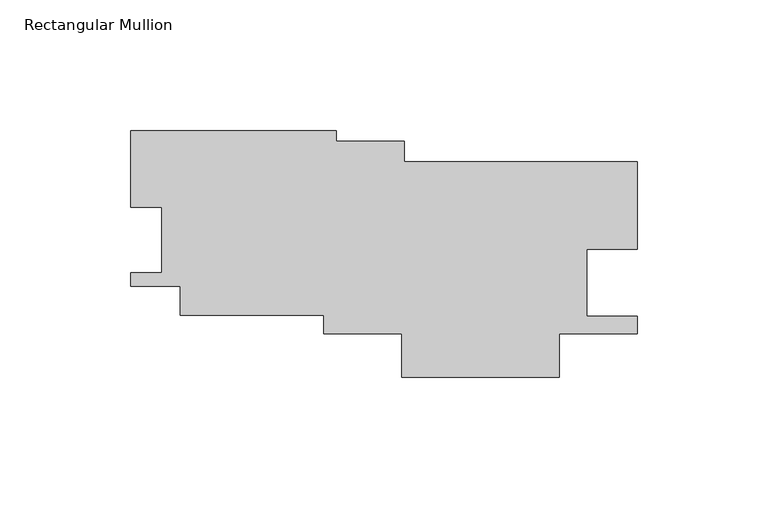
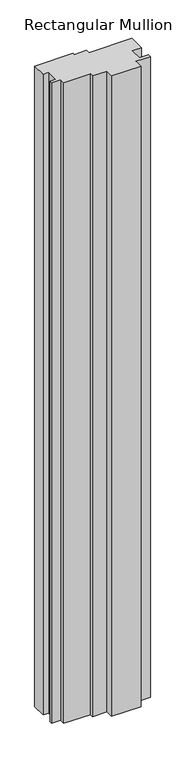
"""IFC4 building model written with IfcOpenShell, lengths in millimetres: member geometry, Rectangular Mullion."""

from ifc_helpers import new_model, si_unit, frame, origin, place, context, project, spatial, polyline, outline, extrude, source, transform, mapped, element, save


def rectangular_mullion_f76a84cf(model_context):
    return source(origin(), model_context, "Body", "SweptSolid", [
        extrude(outline(polyline([(-17.5977369, 49.232729), (-17.5977369, 45.2135184), (8.2804124, 45.2135184), (8.2804124, 37.2066156), (97.6053377, 37.2066156), (97.6053377, 3.6757467), (78.3497325, 3.6757467), (78.3497325, -21.8722468), (97.7243548, -21.8722468), (97.7243548, -28.7128811), (67.7899276, -28.7128811), (67.7899276, -45.3491141), (7.4574723, -45.3491141), (7.4574723, -28.7128811), (-22.4769549, -28.7128811), (-22.4769549, -21.4662325), (-77.4539718, -21.4662325), (-77.4539718, -10.4418565), (-96.5053128, -10.4418565), (-96.5053128, -5.23449), (-84.6210085, -5.23449), (-84.6210085, 19.9196573), (-96.4948416, 19.9196573), (-96.4948416, 49.232729), (-17.5977369, 49.232729)])), frame((0.0, 0.0, -1397.0), z_axis=(0.0, 0.0, 1.0), x_axis=(1.0, 0.0, 0.0)), (0.0, 0.0, 1.0), 1397.0),
    ])


if __name__ == "__main__":
    model = new_model("IFC4")
    model_context = context("Model", 3, world=origin())
    ifc_project = project(units=[si_unit("LENGTHUNIT", "METRE", prefix="MILLI")], contexts=[model_context])
    site = spatial("IfcSite", under=ifc_project)
    building = spatial("IfcBuilding", under=site)
    placement = place(None, origin())
    rectangular_mullion_shape = rectangular_mullion_f76a84cf(model_context)
    element("IfcMember", 1, ObjectType="Rectangular Mullion", at=placement, inside=building, context=model_context, shape_type="MappedRepresentation", body=[
        mapped(rectangular_mullion_shape, transform((0.0, 0.0, 0.0), x_axis=(1.0, 0.0, 0.0), y_axis=(0.0, 1.0, 0.0), z_axis=(0.0, 0.0, 1.0))),
    ])
    save(model, "model.ifc")
